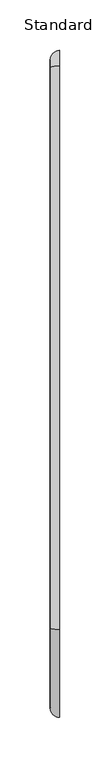
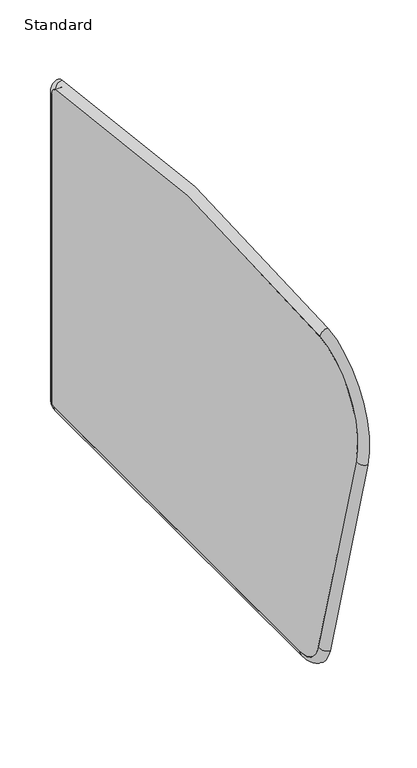
"""IFC4 building model written with IfcOpenShell, lengths in millimetres: furniture geometry, Standard."""

from ifc_helpers import new_model, si_unit, point, frame, frame_2d, origin, place, context, project, spatial, polyline, circle_curve, ellipse_curve, trimmed, segment, composite_curve, outline, extrude, source, transform, mapped, element, save
from ifc_brep_helpers import plane_surface, cylinder_surface, revolved_surface, advanced_brep


def standard_57445cc8(model_context):
    return source(origin(), model_context, "Body", "SolidModel", [
        extrude(outline(composite_curve([segment(trimmed(circle_curve(frame_2d((-30.9686286, -1323.3782124)), 1780.1870764), [point((-243.1013962, 444.1244653))], [point((312.1994259, 423.4193469))], False, "CARTESIAN"), True, "CONTINUOUS"), segment(trimmed(circle_curve(frame_2d((310.2717181, 413.6069088)), 10.0), [point((312.1994259, 423.4193469))], [point((320.2717181, 413.6069088))], False, "CARTESIAN"), True, "CONTINUOUS"), segment(polyline([(320.2717181, 413.6069088), (320.2717181, 19.0274949)]), True, "CONTINUOUS"), segment(trimmed(circle_curve(frame_2d((316.7177096, 19.0274949)), 3.5540085), [point((320.2717181, 19.0274949))], [point((316.7177096, 15.4734864))], False, "CARTESIAN"), True, "CONTINUOUS"), segment(polyline([(316.7177096, 15.4734864), (-201.4456299, 15.4734864)]), True, "CONTINUOUS"), segment(trimmed(circle_curve(frame_2d((-201.4456299, 55.4734864)), 40.0), [point((-201.4456299, 15.4734864))], [point((-239.9971913, 44.8068509))], False, "CARTESIAN"), True, "CONTINUOUS"), segment(polyline([(-239.9971913, 44.8068509), (-319.1177225, 330.7658141)]), True, "CONTINUOUS"), segment(trimmed(circle_curve(frame_2d((-232.3767093, 354.7657439)), 90.0), [point((-319.1177225, 330.7658141))], [point((-243.1013962, 444.1244653))], False, "CARTESIAN"), True, "CONTINUOUS")], self_intersect=False)), frame((-311.3902313, 0.0, 0.0), z_axis=(1.0, 0.0, 0.0), x_axis=(0.0, 1.0, 0.0)), (0.0, 0.0, 1.0), 9.099779),
        advanced_brep(
        [(-311.3902313, -239.9971913, 44.2414969), (-311.3902313, -201.4456299, 14.9081324), (-302.2904523, -201.4456299, 5.8083534), (-302.2904523, -248.7674585, 41.8148963), (-302.2904523, -239.9971913, 44.2414969), (-302.2904523, -201.4456299, 14.9081324), (-302.2904523, -327.8879897, 327.7738595), (-311.3902313, -319.1177225, 330.2004601), (-302.2904523, -319.1177225, 330.2004601), (-311.3902313, -243.1013962, 443.5591113), (-302.2904523, -244.1857549, 452.5940515), (-302.2904523, -243.1013962, 443.5591113), (-311.3902313, 312.1994259, 422.8539929), (-302.2904523, 313.9535974, 431.7830947), (-302.2904523, 312.1994259, 422.8539929), (-311.3902313, 320.2717181, 413.0415547), (-302.2904523, 329.3714971, 413.0415547), (-302.2904523, 320.2717181, 413.0415547), (-302.2904523, 329.3714971, 18.4621409), (-311.3902313, 320.2717181, 18.4621409), (-302.2904523, 320.2717181, 18.4621409), (-311.3902313, 316.7177096, 14.9081324), (-302.2904523, 316.7177096, 5.8083534), (-302.2904523, 316.7177096, 14.9081324)],
        [
            (0, 1, circle_curve(frame((-311.3902313, -201.4456299, 54.9081324), z_axis=(1.0, 0.0, 0.0), x_axis=(0.0, 0.0, -1.0)), 40.0)),
            (1, 2, circle_curve(frame((-302.2904523, -201.4456299, 14.9081324), z_axis=(0.0, -1.0, 0.0), x_axis=(0.0, 0.0, -1.0)), 9.099779)),
            (2, 3, circle_curve(frame((-302.2904523, -201.4456299, 54.9081324), z_axis=(-1.0, 0.0, 0.0), x_axis=(0.0, 0.0, -1.0)), 49.099779)),
            (3, 0, circle_curve(frame((-302.2904523, -239.9971913, 44.2414969), z_axis=(0.0, 0.2666658866306316, -0.9637890354779406), x_axis=(0.0, -0.9637890354779406, -0.2666658866306316)), 9.099779)),
            (4, 5, circle_curve(frame((-302.2904523, -201.4456299, 54.9081324), z_axis=(1.0, 0.0, 0.0), x_axis=(0.0, 0.0, -1.0)), 40.0)),
            (5, 1),
            (0, 4),
            (3, 6),
            (6, 7, circle_curve(frame((-302.2904523, -319.1177225, 330.2004601), z_axis=(0.0, 0.2666658866306242, -0.9637890354779427), x_axis=(0.0, -0.9637890354779427, -0.2666658866306242)), 9.099779)),
            (7, 0),
            (7, 8),
            (8, 4),
            (9, 7, circle_curve(frame((-311.3902313, -232.3767093, 354.2003899), z_axis=(1.0, 0.0, 0.0), x_axis=(0.0, -0.9637890354779446, -0.26666588663061735)), 90.0)),
            (6, 10, circle_curve(frame((-302.2904523, -232.3767093, 354.2003899), z_axis=(-1.0, 0.0, 0.0), x_axis=(0.0, -0.9637890354779446, -0.26666588663061735)), 99.099779)),
            (10, 9, circle_curve(frame((-302.2904523, -243.1013962, 443.5591113), z_axis=(0.0, -0.992874682212848, -0.11916318819474467), x_axis=(0.0, -0.11916318819474467, 0.992874682212848)), 9.099779)),
            (11, 8, circle_curve(frame((-302.2904523, -232.3767093, 354.2003899), z_axis=(1.0, 0.0, 0.0), x_axis=(0.0, -0.9637890354779446, -0.26666588663061735)), 90.0)),
            (9, 11),
            (12, 9, circle_curve(frame((-311.3902313, -30.9686286, -1323.9435664), z_axis=(1.0, 0.0, 0.0), x_axis=(0.0, -0.11916318819464253, 0.9928746822128602)), 1780.1870764)),
            (10, 13, circle_curve(frame((-302.2904523, -30.9686286, -1323.9435664), z_axis=(-1.0, 0.0, 0.0), x_axis=(0.0, -0.11916318819464253, 0.9928746822128602)), 1789.2868554)),
            (13, 12, circle_curve(frame((-302.2904523, 312.1994259, 422.8539929), z_axis=(0.0, -0.9812438156027974, 0.19277078186608912), x_axis=(0.0, 0.19277078186608912, 0.9812438156027974)), 9.099779)),
            (14, 11, circle_curve(frame((-302.2904523, -30.9686286, -1323.9435664), z_axis=(1.0, 0.0, 0.0), x_axis=(0.0, -0.11916318819464253, 0.9928746822128602)), 1780.1870764)),
            (12, 14),
            (15, 12, circle_curve(frame((-311.3902313, 310.2717181, 413.0415547), z_axis=(1.0, 0.0, 0.0), x_axis=(0.0, 0.19277078186497792, 0.9812438156030157)), 10.0)),
            (13, 16, circle_curve(frame((-302.2904523, 310.2717181, 413.0415547), z_axis=(-1.0, 0.0, 0.0), x_axis=(0.0, 0.19277078186497792, 0.9812438156030157)), 19.099779)),
            (16, 15, circle_curve(frame((-302.2904523, 320.2717181, 413.0415547), z_axis=(0.0, 0.0, 0.9999999999999999), x_axis=(0.0, 0.9999999999999999, 0.0)), 9.099779)),
            (17, 14, circle_curve(frame((-302.2904523, 310.2717181, 413.0415547), z_axis=(1.0, 0.0, 0.0), x_axis=(0.0, 0.19277078186497792, 0.9812438156030157)), 10.0)),
            (15, 17),
            (16, 18),
            (18, 19, circle_curve(frame((-302.2904523, 320.2717181, 18.4621409), z_axis=(0.0, 0.0, 1.0), x_axis=(0.0, 1.0, 0.0)), 9.099779)),
            (19, 15),
            (19, 20),
            (20, 17),
            (21, 19, circle_curve(frame((-311.3902313, 316.7177096, 18.4621409), z_axis=(1.0, 0.0, 0.0), x_axis=(0.0, 1.0, 0.0)), 3.5540085)),
            (18, 22, circle_curve(frame((-302.2904523, 316.7177096, 18.4621409), z_axis=(-1.0, 0.0, 0.0), x_axis=(0.0, 1.0, 0.0)), 12.6537875)),
            (22, 21, circle_curve(frame((-302.2904523, 316.7177096, 14.9081324), z_axis=(0.0, 1.0, 0.0), x_axis=(0.0, 0.0, -1.0)), 9.099779)),
            (23, 20, circle_curve(frame((-302.2904523, 316.7177096, 18.4621409), z_axis=(1.0, 0.0, 0.0), x_axis=(0.0, 1.0, 0.0)), 3.5540085)),
            (21, 23),
            (22, 2),
            (1, 21),
            (5, 23),
        ],
        [
            revolved_surface(trimmed(ellipse_curve(frame((-302.2904523, -201.4456299, 14.9081324), z_axis=(0.0, 1.0, 0.0), x_axis=(0.0, 0.0, -1.0)), 9.099779, 9.099779), [point((-302.2904523, -201.4456299, 5.8083534))], [point((-311.3902313, -201.4456299, 14.9081324))], True, "CARTESIAN"), (-302.2904523, -201.4456299, 54.9081324), (-1.0, 0.0, 0.0)),
            revolved_surface(polyline([(-311.3902313, -201.4456299, 14.9081324), (-302.2904523, -201.4456299, 14.9081324)]), (-302.2904523, -201.4456299, 54.9081324), (-1.0, 0.0, 0.0)),
            cylinder_surface(frame((-302.2904523, -239.9971913, 44.2414969), z_axis=(0.0, 0.2666658866306242, -0.9637890354779427), x_axis=(0.0, -0.9637890354779427, -0.2666658866306242)), 9.099779),
            plane_surface(frame((-311.3902313, -239.9971913, 44.2414969), z_axis=(0.0, 0.9637890354779428, 0.26666588663062407), x_axis=(0.0, -0.26666588663062407, 0.9637890354779428))),
            revolved_surface(trimmed(ellipse_curve(frame((-302.2904523, -319.1177225, 330.2004601), z_axis=(0.0, 0.2666658866306174, -0.9637890354779446), x_axis=(0.0, -0.9637890354779446, -0.2666658866306174)), 9.099779, 9.099779), [point((-302.2904523, -327.8879897, 327.7738595))], [point((-311.3902313, -319.1177225, 330.2004601))], True, "CARTESIAN"), (-302.2904523, -232.3767093, 354.2003899), (-1.0, 0.0, 0.0)),
            revolved_surface(polyline([(-311.3902313, -319.117722493015, 330.20046010324444), (-302.2904523, -319.117722493015, 330.20046010324444)]), (-302.2904523, -232.3767093, 354.2003899), (-1.0, 0.0, 0.0)),
            revolved_surface(trimmed(ellipse_curve(frame((-302.2904523, -243.1013962, 443.5591113), z_axis=(0.0, -0.9928746822128602, -0.11916318819464253), x_axis=(0.0, -0.11916318819464253, 0.9928746822128602)), 9.099779, 9.099779), [point((-302.2904523, -244.1857549, 452.5940515))], [point((-311.3902313, -243.1013962, 443.5591113))], True, "CARTESIAN"), (-302.2904523, -30.9686286, -1323.9435664), (-1.0, 0.0, 0.0)),
            revolved_surface(polyline([(-311.3902313, -243.10139620672368, 443.5591113600908), (-302.2904523, -243.10139620672368, 443.5591113600908)]), (-302.2904523, -30.9686286, -1323.9435664), (-1.0, 0.0, 0.0)),
            revolved_surface(trimmed(ellipse_curve(frame((-302.2904523, 312.1994259, 422.8539929), z_axis=(0.0, -0.9812438156030157, 0.19277078186497798), x_axis=(0.0, 0.19277078186497798, 0.9812438156030157)), 9.099779, 9.099779), [point((-302.2904523, 313.9535974, 431.7830947))], [point((-311.3902313, 312.1994259, 422.8539929))], True, "CARTESIAN"), (-302.2904523, 310.2717181, 413.0415547), (-1.0, 0.0, 0.0)),
            revolved_surface(polyline([(-311.3902313, 312.19942591864975, 422.8539928560302), (-302.2904523, 312.19942591864975, 422.8539928560302)]), (-302.2904523, 310.2717181, 413.0415547), (-1.0, 0.0, 0.0)),
            cylinder_surface(frame((-302.2904523, 320.2717181, 413.0415547), z_axis=(0.0, 0.0, 1.0), x_axis=(0.0, 1.0, 0.0)), 9.099779),
            plane_surface(frame((-311.3902313, 320.2717181, 413.0415547), z_axis=(0.0, -1.0, 0.0), x_axis=(0.0, 0.0, -1.0))),
            revolved_surface(trimmed(ellipse_curve(frame((-302.2904523, 320.2717181, 18.4621409), z_axis=(0.0, 0.0, 1.0), x_axis=(0.0, 1.0, 0.0)), 9.099779, 9.099779), [point((-302.2904523, 329.3714971, 18.4621409))], [point((-311.3902313, 320.2717181, 18.4621409))], True, "CARTESIAN"), (-302.2904523, 316.7177096, 18.4621409), (-1.0, 0.0, 0.0)),
            revolved_surface(polyline([(-311.3902313, 320.2717181, 18.4621409), (-302.2904523, 320.2717181, 18.4621409)]), (-302.2904523, 316.7177096, 18.4621409), (-1.0, 0.0, 0.0)),
            cylinder_surface(frame((-302.2904523, 316.7177096, 14.9081324), z_axis=(0.0, 1.0, 0.0), x_axis=(0.0, 0.0, -1.0)), 9.099779),
            plane_surface(frame((-311.3902313, 316.7177096, 14.9081324), z_axis=(0.0, 0.0, 1.0), x_axis=(0.0, -1.0, 0.0))),
            plane_surface(frame((-302.2904523, 316.7177096, 14.9081324), z_axis=(1.0, 0.0, 0.0), x_axis=(0.0, -1.0, 0.0))),
        ],
        [
            (0, [[1, 2, 3, 4]]),
            (1, [[5, 6, -1, 7]]),
            (2, [[-4, 8, 9, 10]]),
            (3, [[-7, -10, 11, 12]]),
            (4, [[13, -9, 14, 15]]),
            (5, [[16, -11, -13, 17]]),
            (6, [[18, -15, 19, 20]]),
            (7, [[21, -17, -18, 22]]),
            (8, [[23, -20, 24, 25]]),
            (9, [[26, -22, -23, 27]]),
            (10, [[-25, 28, 29, 30]]),
            (11, [[-27, -30, 31, 32]]),
            (12, [[33, -29, 34, 35]]),
            (13, [[36, -31, -33, 37]]),
            (14, [[-35, 38, -2, 39]]),
            (15, [[-37, -39, -6, 40]]),
            (16, [[-38, -34, -28, -24, -19, -14, -8, -3], [-32, -36, -40, -5, -12, -16, -21, -26]]),
        ],
    ),
    ])


if __name__ == "__main__":
    model = new_model("IFC4")
    model_context = context("Model", 3, world=origin())
    ifc_project = project(units=[si_unit("LENGTHUNIT", "METRE", prefix="MILLI")], contexts=[model_context])
    site = spatial("IfcSite", under=ifc_project)
    building = spatial("IfcBuilding", under=site)
    placement = place(None, origin())
    standard_shape = standard_57445cc8(model_context)
    element("IfcFurniture", 1, ObjectType="Standard", at=placement, inside=building, context=model_context, shape_type="MappedRepresentation", body=[
        mapped(standard_shape, transform((0.0, 0.0, 0.0), x_axis=(1.0, 0.0, 0.0), y_axis=(0.0, 1.0, 0.0), z_axis=(0.0, 0.0, 1.0))),
    ])
    save(model, "model.ifc")
